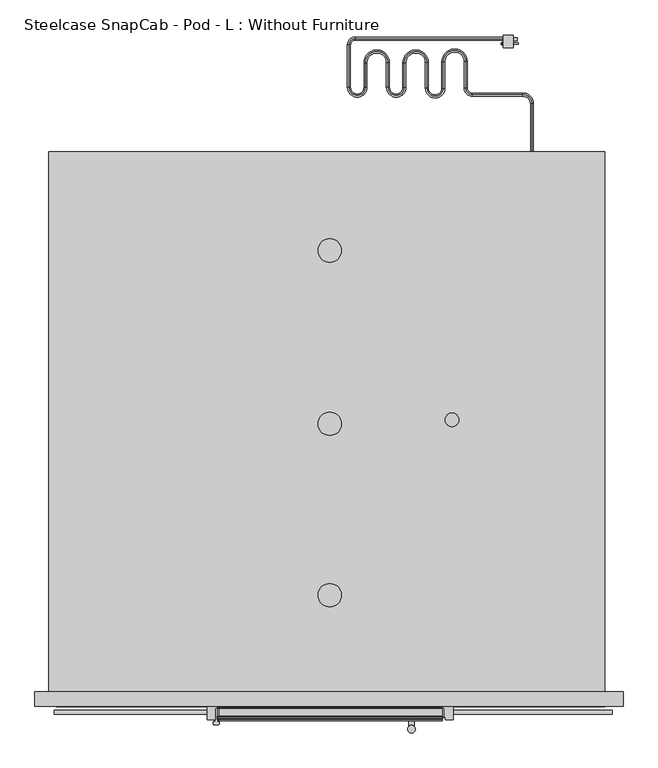
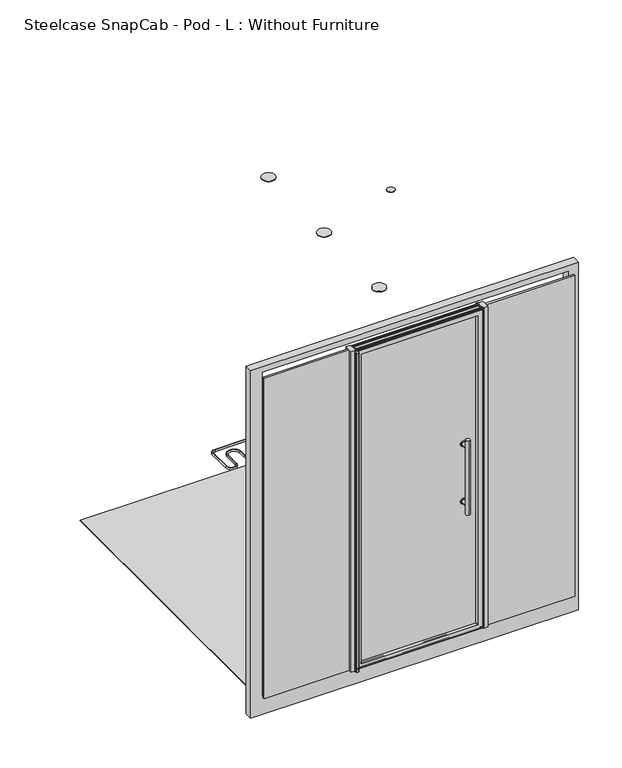
"""IFC4 building model written with IfcOpenShell, lengths in millimetres: furniture geometry, Steelcase SnapCab - Pod - L : Without Furniture."""

from ifc_helpers import new_model, si_unit, point, frame, frame_2d, origin, place, context, project, spatial, polyline, circle_curve, ellipse_curve, trimmed, segment, composite_curve, outline, extrude, source, transform, mapped, element, save
from ifc_brep_helpers import plane_surface, cylinder_surface, revolved_surface, advanced_brep


def steelcase_snapcab_pod_l_without_furniture_50ba07be(model_context):
    return source(origin(), model_context, "Body", "SolidModel", [
        extrude(outline(composite_curve([segment(trimmed(circle_curve(frame_2d((229.265479, -834.2806578)), 38.1), [point((267.365479, -834.2806578))], [point((191.165479, -834.2806578))], False, "CARTESIAN"), True, "CONTINUOUS"), segment(trimmed(circle_curve(frame_2d((229.265479, -834.2806578)), 38.1), [point((191.165479, -834.2806578))], [point((267.365479, -834.2806578))], False, "CARTESIAN"), True, "CONTINUOUS")], self_intersect=False)), frame((0.0, 0.0, 2164.9054759), z_axis=(0.0, 0.0, 1.0), x_axis=(1.0, 0.0, 0.0)), (0.0, 0.0, 1.0), 3.175),
        extrude(outline(composite_curve([segment(trimmed(circle_curve(frame_2d((229.265479, -1958.2306578)), 38.1), [point((267.365479, -1958.2306578))], [point((191.165479, -1958.2306578))], False, "CARTESIAN"), True, "CONTINUOUS"), segment(trimmed(circle_curve(frame_2d((229.265479, -1958.2306578)), 38.1), [point((191.165479, -1958.2306578))], [point((267.365479, -1958.2306578))], False, "CARTESIAN"), True, "CONTINUOUS")], self_intersect=False)), frame((0.0, 0.0, 2164.9054759), z_axis=(0.0, 0.0, 1.0), x_axis=(1.0, 0.0, 0.0)), (0.0, 0.0, 1.0), 3.175),
        extrude(outline(composite_curve([segment(trimmed(circle_curve(frame_2d((229.265479, -1399.4306578)), 38.1), [point((267.365479, -1399.4306578))], [point((191.165479, -1399.4306578))], False, "CARTESIAN"), True, "CONTINUOUS"), segment(trimmed(circle_curve(frame_2d((229.265479, -1399.4306578)), 38.1), [point((191.165479, -1399.4306578))], [point((267.365479, -1399.4306578))], False, "CARTESIAN"), True, "CONTINUOUS")], self_intersect=False)), frame((0.0, 0.0, 2164.9054759), z_axis=(0.0, 0.0, 1.0), x_axis=(1.0, 0.0, 0.0)), (0.0, 0.0, 1.0), 3.175),
        extrude(outline(composite_curve([segment(polyline([(-2358.0673979, 179.9280925), (-2363.0996934, 179.9280925)]), True, "CONTINUOUS"), segment(trimmed(circle_curve(frame_2d((-2363.0996934, 180.5249925)), 0.5969), [point((-2363.0996934, 179.9280925))], [point((-2363.0996934, 181.1218925))], False, "CARTESIAN"), True, "CONTINUOUS"), segment(polyline([(-2363.0996934, 181.1218925), (-2353.6644115, 181.1218925)]), True, "CONTINUOUS"), segment(trimmed(circle_curve(frame_2d((-2353.6644115, 180.4878569)), 0.6340356), [point((-2353.6644115, 181.1218925))], [point((-2353.0303759, 180.4878569))], False, "CARTESIAN"), True, "CONTINUOUS"), segment(polyline([(-2353.0303759, 180.4878569), (-2353.0303759, 178.2100107), (-2356.5996178, 171.9656169)]), True, "CONTINUOUS"), segment(trimmed(circle_curve(frame_2d((-2357.7868974, 172.6442557)), 1.3675464), [point((-2356.5996178, 171.9656169))], [point((-2359.0074607, 173.2610284))], False, "CARTESIAN"), True, "CONTINUOUS"), segment(polyline([(-2359.0074607, 173.2610284), (-2356.7339345, 177.7602272)]), True, "CONTINUOUS"), segment(trimmed(circle_curve(frame_2d((-2358.0673979, 178.4340502)), 1.4940423), [point((-2356.7339345, 177.7602272))], [point((-2358.0673979, 179.9280925))], True, "CARTESIAN"), True, "CONTINUOUS")], self_intersect=False)), frame((-136.9556342, 0.0, 0.0), z_axis=(1.0, 0.0, 0.0), x_axis=(0.0, 1.0, 0.0)), (0.0, 0.0, 1.0), 733.1597071),
        extrude(outline(composite_curve([segment(polyline([(-2321.1287272, 179.9280925), (-2326.1610227, 179.9280925)]), True, "CONTINUOUS"), segment(trimmed(circle_curve(frame_2d((-2326.1610227, 180.5249925)), 0.5969), [point((-2326.1610227, 179.9280925))], [point((-2326.1610227, 181.1218925))], False, "CARTESIAN"), True, "CONTINUOUS"), segment(polyline([(-2326.1610227, 181.1218925), (-2316.7257407, 181.1218925)]), True, "CONTINUOUS"), segment(trimmed(circle_curve(frame_2d((-2316.7257407, 180.4878569)), 0.6340356), [point((-2316.7257407, 181.1218925))], [point((-2316.0917051, 180.4878569))], False, "CARTESIAN"), True, "CONTINUOUS"), segment(polyline([(-2316.0917051, 180.4878569), (-2316.0917051, 178.2100107), (-2319.6609471, 171.9656169)]), True, "CONTINUOUS"), segment(trimmed(circle_curve(frame_2d((-2320.8482266, 172.6442557)), 1.3675464), [point((-2319.6609471, 171.9656169))], [point((-2322.0687899, 173.2610284))], False, "CARTESIAN"), True, "CONTINUOUS"), segment(polyline([(-2322.0687899, 173.2610284), (-2319.7952637, 177.7602272)]), True, "CONTINUOUS"), segment(trimmed(circle_curve(frame_2d((-2321.1287272, 178.4340502)), 1.4940423), [point((-2319.7952637, 177.7602272))], [point((-2321.1287272, 179.9280925))], True, "CARTESIAN"), True, "CONTINUOUS")], self_intersect=False)), frame((-136.9556342, 0.0, 0.0), z_axis=(1.0, 0.0, 0.0), x_axis=(0.0, 1.0, 0.0)), (0.0, 0.0, 1.0), 733.1597071),
        extrude(outline(composite_curve([segment(trimmed(circle_curve(frame_2d((-2358.0673979, 2149.1464348)), 1.4940423), [point((-2358.0673979, 2147.6523925))], [point((-2356.7339345, 2149.8202579))], True, "CARTESIAN"), True, "CONTINUOUS"), segment(polyline([(-2356.7339345, 2149.8202579), (-2359.0074607, 2154.3194567)]), True, "CONTINUOUS"), segment(trimmed(circle_curve(frame_2d((-2357.7868974, 2154.9362293)), 1.3675464), [point((-2359.0074607, 2154.3194567))], [point((-2356.5996178, 2155.6148681))], False, "CARTESIAN"), True, "CONTINUOUS"), segment(polyline([(-2356.5996178, 2155.6148681), (-2353.0303759, 2149.3704743), (-2353.0303759, 2147.0926281)]), True, "CONTINUOUS"), segment(trimmed(circle_curve(frame_2d((-2353.6644115, 2147.0926281)), 0.6340356), [point((-2353.0303759, 2147.0926281))], [point((-2353.6644115, 2146.4585925))], False, "CARTESIAN"), True, "CONTINUOUS"), segment(polyline([(-2353.6644115, 2146.4585925), (-2363.0996934, 2146.4585925)]), True, "CONTINUOUS"), segment(trimmed(circle_curve(frame_2d((-2363.0996934, 2147.0554925)), 0.5969), [point((-2363.0996934, 2146.4585925))], [point((-2363.0996934, 2147.6523925))], False, "CARTESIAN"), True, "CONTINUOUS"), segment(polyline([(-2363.0996934, 2147.6523925), (-2358.0673979, 2147.6523925)]), True, "CONTINUOUS")], self_intersect=False)), frame((-136.9556342, 0.0, 0.0), z_axis=(1.0, 0.0, 0.0), x_axis=(0.0, 1.0, 0.0)), (0.0, 0.0, 1.0), 733.1597071),
        extrude(outline(composite_curve([segment(trimmed(circle_curve(frame_2d((-2321.1287272, 2149.1464348)), 1.4940423), [point((-2321.1287272, 2147.6523925))], [point((-2319.7952637, 2149.8202579))], True, "CARTESIAN"), True, "CONTINUOUS"), segment(polyline([(-2319.7952637, 2149.8202579), (-2322.0687899, 2154.3194567)]), True, "CONTINUOUS"), segment(trimmed(circle_curve(frame_2d((-2320.8482266, 2154.9362293)), 1.3675464), [point((-2322.0687899, 2154.3194567))], [point((-2319.6609471, 2155.6148681))], False, "CARTESIAN"), True, "CONTINUOUS"), segment(polyline([(-2319.6609471, 2155.6148681), (-2316.0917051, 2149.3704743), (-2316.0917051, 2147.0926281)]), True, "CONTINUOUS"), segment(trimmed(circle_curve(frame_2d((-2316.7257407, 2147.0926281)), 0.6340356), [point((-2316.0917051, 2147.0926281))], [point((-2316.7257407, 2146.4585925))], False, "CARTESIAN"), True, "CONTINUOUS"), segment(polyline([(-2316.7257407, 2146.4585925), (-2326.1610227, 2146.4585925)]), True, "CONTINUOUS"), segment(trimmed(circle_curve(frame_2d((-2326.1610227, 2147.0554925)), 0.5969), [point((-2326.1610227, 2146.4585925))], [point((-2326.1610227, 2147.6523925))], False, "CARTESIAN"), True, "CONTINUOUS"), segment(polyline([(-2326.1610227, 2147.6523925), (-2321.1287272, 2147.6523925)]), True, "CONTINUOUS")], self_intersect=False)), frame((-136.9556342, 0.0, 0.0), z_axis=(1.0, 0.0, 0.0), x_axis=(0.0, 1.0, 0.0)), (0.0, 0.0, 1.0), 733.1597071),
        extrude(outline(composite_curve([segment(polyline([(-137.0402977, -2326.3107939), (-137.0402977, -2365.1862875), (-134.3419489, -2365.1862875), (-134.3419489, -2366.696216), (-137.9832732, -2366.696216), (-137.9832732, -2369.8975387), (-136.9556342, -2369.8975387), (-136.9556342, -2370.9051357)]), True, "CONTINUOUS"), segment(trimmed(circle_curve(frame_2d((-136.0936091, -2371.8505397)), 1.2794046), [point((-136.9556342, -2370.9051357))], [point((-134.958671, -2371.2599538))], False, "CARTESIAN"), True, "CONTINUOUS"), segment(polyline([(-134.958671, -2371.2599538), (-132.1682242, -2371.2599538)]), True, "CONTINUOUS"), segment(trimmed(circle_curve(frame_2d((-132.1682242, -2372.5807113)), 1.3207575), [point((-132.1682242, -2371.2599538))], [point((-130.8695366, -2372.8211504))], False, "CARTESIAN"), True, "CONTINUOUS"), segment(trimmed(circle_curve(frame_2d((-72.4854622, -2383.6303784)), 59.3762542), [point((-130.8695366, -2372.8211504))], [point((-131.7049271, -2379.3182408))], True, "CARTESIAN"), True, "CONTINUOUS"), segment(trimmed(circle_curve(frame_2d((-134.1391212, -2379.140992)), 2.4406388), [point((-131.7049271, -2379.3182408))], [point((-133.7639501, -2381.5526231))], False, "CARTESIAN"), True, "CONTINUOUS"), segment(trimmed(circle_curve(frame_2d((-141.0845569, -2334.4951507)), 47.623492), [point((-133.7639501, -2381.5526231))], [point((-148.4139523, -2381.551255))], False, "CARTESIAN"), True, "CONTINUOUS"), segment(trimmed(circle_curve(frame_2d((-148.1051107, -2379.5684339)), 2.0067293), [point((-148.4139523, -2381.551255))], [point((-150.1074415, -2379.7012268))], False, "CARTESIAN"), True, "CONTINUOUS"), segment(trimmed(circle_curve(frame_2d((-209.3535496, -2383.6303784)), 59.3762542), [point((-150.1074415, -2379.7012268))], [point((-150.9694752, -2372.8211504))], True, "CARTESIAN"), True, "CONTINUOUS"), segment(trimmed(circle_curve(frame_2d((-149.6707876, -2372.5807113)), 1.3207575), [point((-150.9694752, -2372.8211504))], [point((-149.6707876, -2371.2599538))], False, "CARTESIAN"), True, "CONTINUOUS"), segment(polyline([(-149.6707876, -2371.2599538), (-146.8803409, -2371.2599538)]), True, "CONTINUOUS"), segment(trimmed(circle_curve(frame_2d((-145.7454028, -2371.8505397)), 1.2794046), [point((-146.8803409, -2371.2599538))], [point((-144.8833776, -2370.9051357))], False, "CARTESIAN"), True, "CONTINUOUS"), segment(polyline([(-144.8833776, -2370.9051357), (-144.8833776, -2369.8975387), (-144.0211697, -2369.8975387), (-144.0211697, -2366.3829959), (-147.4981995, -2366.3829959), (-147.4981995, -2365.1862875), (-144.2975632, -2365.1862875), (-144.2975632, -2326.3107939), (-137.0402977, -2326.3107939)]), True, "CONTINUOUS")], self_intersect=False)), frame((0.0, 0.0, 173.1960925), z_axis=(0.0, 0.0, 1.0), x_axis=(1.0, 0.0, 0.0)), (0.0, 0.0, 1.0), 1973.2625),
        extrude(outline(polyline([(181.1218925, -130.8341357), (181.1218925, 596.2040728), (2146.4585925, 596.2040728), (2146.4585925, -130.8341357), (181.1218925, -130.8341357)]), holes=[polyline([(2121.0468925, 570.8927226), (206.5218925, 570.8927226), (206.5218925, -111.8138975), (2121.0468925, -111.8138975), (2121.0468925, 570.8927226)])]), frame((0.0, -2367.3452829, 0.0), z_axis=(0.0, 1.0, 0.0), x_axis=(0.0, 0.0, 1.0)), (0.0, 0.0, 1.0), 52.9589954),
        extrude(outline(composite_curve([segment(polyline([(-143.1037632, -2314.3862875), (-143.1037632, -2321.0082005)]), True, "CONTINUOUS"), segment(trimmed(circle_curve(frame_2d((-141.842336, -2321.0082005)), 1.2614272), [point((-143.1037632, -2321.0082005))], [point((-141.2893627, -2322.1419638))], True, "CARTESIAN"), True, "CONTINUOUS"), segment(polyline([(-141.2893627, -2322.1419638), (-136.6953267, -2319.9013027)]), True, "CONTINUOUS"), segment(trimmed(circle_curve(frame_2d((-136.0530524, -2321.2181603)), 1.4651383), [point((-136.6953267, -2319.9013027))], [point((-135.2766474, -2322.460668))], False, "CARTESIAN"), True, "CONTINUOUS"), segment(polyline([(-135.2766474, -2322.460668), (-141.4381369, -2326.3107939), (-144.2975632, -2326.3107939), (-144.2975632, -2365.1862875), (-169.6975632, -2365.1862875), (-169.6975632, -2314.3862875), (-143.1037632, -2314.3862875)]), True, "CONTINUOUS")], self_intersect=False)), frame((0.0, 0.0, 173.1960925), z_axis=(0.0, 0.0, 1.0), x_axis=(1.0, 0.0, 0.0)), (0.0, 0.0, 1.0), 1982.0892316),
        extrude(outline(composite_curve([segment(polyline([(631.9899368, -2365.1862875), (606.5899368, -2365.1862875), (606.5899368, -2363.151706), (605.3961368, -2363.151706), (605.3961368, -2354.9288419), (598.9345685, -2358.6594301)]), True, "CONTINUOUS"), segment(trimmed(circle_curve(frame_2d((598.2350786, -2357.4478781)), 1.3989797), [point((598.9345685, -2358.6594301))], [point((597.5355888, -2356.2363261))], False, "CARTESIAN"), True, "CONTINUOUS"), segment(polyline([(597.5355888, -2356.2363261), (603.4149368, -2352.8418829), (603.4149368, -2326.5672784), (600.503055, -2326.5672784), (594.4592626, -2323.0778933)]), True, "CONTINUOUS"), segment(trimmed(circle_curve(frame_2d((595.1895126, -2321.8130632)), 1.4605), [point((594.4592626, -2323.0778933))], [point((595.9197626, -2320.5482331))], False, "CARTESIAN"), True, "CONTINUOUS"), segment(polyline([(595.9197626, -2320.5482331), (600.048895, -2322.9321887)]), True, "CONTINUOUS"), segment(trimmed(circle_curve(frame_2d((600.7729756, -2321.6780443)), 1.4481612), [point((600.048895, -2322.9321887))], [point((602.2211368, -2321.6780443))], True, "CARTESIAN"), True, "CONTINUOUS"), segment(polyline([(602.2211368, -2321.6780443), (602.2211368, -2314.3862875), (590.7149368, -2314.3862875), (590.7149368, -2311.2048375), (606.5899368, -2311.2048375), (606.5899368, -2314.3862875), (631.9899368, -2314.3862875), (631.9899368, -2365.1862875)]), True, "CONTINUOUS")], self_intersect=False)), frame((0.0, 0.0, 173.1960925), z_axis=(0.0, 0.0, 1.0), x_axis=(1.0, 0.0, 0.0)), (0.0, 0.0, 1.0), 1982.0892316),
        extrude(outline(composite_curve([segment(trimmed(circle_curve(frame_2d((-159.5231731, 30.8526793)), 3.1825062), [point((-162.7056793, 30.8526793))], [point((-156.3406669, 30.8526793))], False, "CARTESIAN"), True, "CONTINUOUS"), segment(trimmed(circle_curve(frame_2d((-159.5231731, 30.8526793)), 3.1825062), [point((-156.3406669, 30.8526793))], [point((-162.7056793, 30.8526793))], False, "CARTESIAN"), True, "CONTINUOUS")], self_intersect=False)), frame((788.8214531, 0.0, 0.0), z_axis=(1.0, 0.0, 0.0), x_axis=(0.0, 1.0, 0.0)), (0.0, 0.0, 1.0), 3.175),
        extrude(outline(composite_curve([segment(trimmed(circle_curve(frame_2d((-158.1501792, 30.8288933)), 2.4274108), [point((-160.57759, 30.8288933))], [point((-155.7227683, 30.8288933))], False, "CARTESIAN"), True, "CONTINUOUS"), segment(trimmed(circle_curve(frame_2d((-158.1501792, 30.8288933)), 2.4274108), [point((-155.7227683, 30.8288933))], [point((-160.57759, 30.8288933))], False, "CARTESIAN"), True, "CONTINUOUS")], self_intersect=False)), frame((827.3102921, 0.0, 0.0), z_axis=(1.0, 0.0, 0.0), x_axis=(0.0, 1.0, 0.0)), (0.0, 0.0, 1.0), 15.875),
        extrude(outline(polyline([(840.0102921, -139.9819163), (840.0102921, -149.3781003), (827.3102921, -149.3781003), (827.3102921, -139.9819163), (840.0102921, -139.9819163)])), frame((0.0, 0.0, 34.4014965), z_axis=(0.0, 0.0, 1.0), x_axis=(1.0, 0.0, 0.0)), (0.0, 0.0, 1.0), 2.8048307),
        extrude(outline(polyline([(840.0102921, -141.1739695), (840.0102921, -148.1860471), (827.3102921, -148.1860471), (827.3102921, -141.1739695), (840.0102921, -141.1739695)])), frame((0.0, 0.0, 24.5696307), z_axis=(0.0, 0.0, 1.0), x_axis=(1.0, 0.0, 0.0)), (0.0, 0.0, 1.0), 2.1301763),
        extrude(outline(composite_curve([segment(trimmed(circle_curve(frame_2d((-159.5231731, 30.8526793)), 4.7155208), [point((-164.2386939, 30.8526793))], [point((-154.8076522, 30.8526793))], False, "CARTESIAN"), True, "CONTINUOUS"), segment(trimmed(circle_curve(frame_2d((-159.5231731, 30.8526793)), 4.7155208), [point((-154.8076522, 30.8526793))], [point((-164.2386939, 30.8526793))], False, "CARTESIAN"), True, "CONTINUOUS")], self_intersect=False)), frame((791.9964531, 0.0, 0.0), z_axis=(1.0, 0.0, 0.0), x_axis=(0.0, 1.0, 0.0)), (0.0, 0.0, 1.0), 3.175),
        extrude(outline(polyline([(827.3102921, -131.1453025), (827.3102921, -172.080005), (795.1714531, -172.080005), (795.1714531, -131.1453025), (827.3102921, -131.1453025)])), frame((0.0, 0.0, 18.4280015), z_axis=(0.0, 0.0, 1.0), x_axis=(1.0, 0.0, 0.0)), (0.0, 0.0, 1.0), 25.4),
        advanced_brep(
        [(838.0924366, -569.7774146, 40.2755879), (838.1664274, -569.892765, 30.6598173), (863.3589995, -569.7750827, 40.4699793), (863.4329903, -569.8904331, 30.8542087), (888.8305018, -544.491653, 30.744953), (888.7565111, -544.3763026, 40.3607236), (795.1000937, -142.7730316, 34.8224462), (795.1740844, -142.888382, 25.2066756), (888.7565111, -355.4773937, 38.0947), (888.8305018, -355.5927441, 28.4789294), (858.6722049, -325.4385076, 27.8851405), (858.5982141, -325.3231572, 37.500911), (693.5031009, -325.3383942, 36.2307314), (693.5770917, -325.4537446, 26.6149608), (672.9368922, -304.8163242, 26.2085743), (672.8629015, -304.7009738, 35.8243449), (672.8629015, -218.0084904, 34.7843854), (672.9368922, -218.1238408, 25.1686149), (599.9206742, -218.1305796, 24.6068555), (599.8466835, -218.0152293, 34.2226261), (599.8466835, -304.3174566, 35.2579041), (599.9206742, -304.432807, 25.6421335), (545.9406513, -304.437789, 25.2268316), (545.8666605, -304.3224386, 34.8426021), (545.8666605, -221.2575392, 33.846159), (545.9406513, -221.3728896, 24.2303884), (472.9244333, -221.3796285, 23.6686291), (472.8504425, -221.2642781, 33.2843997), (472.8504425, -301.7442037, 34.2498336), (472.9244333, -301.8595541, 24.634063), (418.9444104, -301.864536, 24.218761), (418.8704196, -301.7491856, 33.8345316), (418.8704196, -221.26926, 32.8690977), (418.9444104, -221.3846104, 23.2533271), (345.9281924, -221.3913493, 22.6915678), (345.8542016, -221.2759989, 32.3073384), (345.8542016, -301.7559245, 33.2727723), (345.9281924, -301.8712749, 23.6570017), (291.9481694, -301.8762568, 23.2416997), (291.8741786, -301.7609064, 32.8574703), (291.8741786, -163.4588009, 31.1984039), (291.9481694, -163.5741513, 21.5826333), (312.5883688, -142.932921, 21.4938427), (312.5143781, -142.8175706, 31.1096133)],
        [
            (0, 1, circle_curve(frame((838.129432, -569.8350898, 35.4677026), z_axis=(-0.9999704011323597, -9.228966443877352e-05, -0.0076933959865344076), x_axis=(0.007693949518146448, -0.011994741134319881, -0.9998984595077307)), 4.8083735)),
            (1, 0, circle_curve(frame((838.129432, -569.8350898, 35.4677026), z_axis=(-0.9999704011323597, -9.228966443877352e-05, -0.0076933959865344076), x_axis=(0.007693949518146448, -0.011994741134319881, -0.9998984595077307)), 4.8083735)),
            (0, 2),
            (2, 3, circle_curve(frame((863.3959949, -569.8327579, 35.662094), z_axis=(-0.9999704011323597, -9.228966443877352e-05, -0.0076933959865344076), x_axis=(0.007693949518146448, -0.011994741134319881, -0.9998984595077307)), 4.8083735)),
            (3, 1),
            (3, 2, circle_curve(frame((863.3959949, -569.8327579, 35.662094), z_axis=(-0.9999704011323597, -9.228966443877352e-05, -0.0076933959865344076), x_axis=(0.007693949518146448, -0.011994741134319881, -0.9998984595077307)), 4.8083735)),
            (4, 3, circle_curve(frame((863.4329903, -544.493997, 30.5495541), z_axis=(0.007693949518146448, -0.011994741134319899, -0.9998984595077307), x_axis=(0.0, -0.9999280562459174, 0.011995096175583933)), 25.3982633)),
            (2, 5, circle_curve(frame((863.3589995, -544.3786466, 40.1653247), z_axis=(-0.007693949518146448, 0.011994741134319899, 0.9998984595077307), x_axis=(0.0, -0.9999280562459174, 0.011995096175583933)), 25.3982633)),
            (5, 4, circle_curve(frame((888.7935065, -544.4339778, 35.5528383), z_axis=(0.0, -0.9999280562459174, 0.011995096175583947), x_axis=(0.007693949518146429, -0.011994741134319899, -0.9998984595077307)), 4.8083735)),
            (4, 5, circle_curve(frame((888.7935065, -544.4339778, 35.5528383), z_axis=(0.0, -0.9999280562459174, 0.011995096175583949), x_axis=(0.007693949518146429, -0.011994741134319899, -0.9998984595077307)), 4.8083735)),
            (6, 7, circle_curve(frame((795.137089, -142.8307068, 30.0145609), z_axis=(0.9999704011323597, 9.228966444347685e-05, 0.007693395986534456), x_axis=(0.007693949518146552, -0.011994741134319878, -0.9998984595077306)), 4.8083735)),
            (7, 6, circle_curve(frame((795.137089, -142.8307068, 30.0145609), z_axis=(0.9999704011323597, 9.228966444347685e-05, 0.007693395986534456), x_axis=(0.007693949518146552, -0.011994741134319878, -0.9998984595077306)), 4.8083735)),
            (5, 8),
            (8, 9, circle_curve(frame((888.7935065, -355.5350689, 33.2868147), z_axis=(0.0, -0.9999280562459174, 0.011995096175583942), x_axis=(0.0076939495181464305, -0.011994741134319893, -0.9998984595077306)), 4.8083735)),
            (9, 4),
            (9, 8, circle_curve(frame((888.7935065, -355.5350689, 33.2868147), z_axis=(0.0, -0.9999280562459174, 0.011995096175583942), x_axis=(0.0076939495181464305, -0.011994741134319893, -0.9998984595077306)), 4.8083735)),
            (10, 9, circle_curve(frame((858.6722049, -355.5955275, 28.2469028), z_axis=(0.007693949518146446, -0.011994741134319899, -0.9998984595077307), x_axis=(0.9999704011323597, 9.228966444380649e-05, 0.007693395986534346)), 30.1591896)),
            (8, 11, circle_curve(frame((858.5982141, -355.4801771, 37.8626734), z_axis=(-0.007693949518146446, 0.011994741134319899, 0.9998984595077307), x_axis=(0.9999704011323597, 9.228966444380649e-05, 0.007693395986534346)), 30.1591896)),
            (11, 10, circle_curve(frame((858.6352095, -325.3808324, 32.6930257), z_axis=(0.9999704011323597, 9.228966444752028e-05, 0.007693395986534307), x_axis=(0.007693949518146451, -0.011994741134319913, -0.9998984595077307)), 4.8083735)),
            (10, 11, circle_curve(frame((858.6352095, -325.3808324, 32.6930257), z_axis=(0.9999704011323597, 9.228966444441188e-05, 0.007693395986534344), x_axis=(0.007693949518146451, -0.011994741134319913, -0.9998984595077307)), 4.8083735)),
            (11, 12),
            (12, 13, circle_curve(frame((693.5400963, -325.3960694, 31.4228461), z_axis=(0.9999704011323597, 9.228966444228492e-05, 0.007693395986534487), x_axis=(0.0076939495181465685, -0.011994741134319914, -0.9998984595077306)), 4.8083735)),
            (13, 10),
            (13, 12, circle_curve(frame((693.5400963, -325.3960694, 31.4228461), z_axis=(0.9999704011323597, 9.228966444228492e-05, 0.007693395986534487), x_axis=(0.0076939495181465685, -0.011994741134319914, -0.9998984595077306)), 4.8083735)),
            (14, 13, circle_curve(frame((693.5770917, -304.8144192, 26.3673723), z_axis=(-0.007693949518146446, 0.011994741134319899, 0.9998984595077307), x_axis=(0.0, -0.9999280562459174, 0.011995096175583975)), 20.6408104)),
            (12, 15, circle_curve(frame((693.5031009, -304.6990688, 35.9831428), z_axis=(0.007693949518146446, -0.011994741134319899, -0.9998984595077307), x_axis=(0.0, -0.9999280562459174, 0.011995096175583975)), 20.6408104)),
            (15, 14, circle_curve(frame((672.8998969, -304.758649, 31.0164596), z_axis=(0.0, -0.9999280562459174, 0.011995096175583916), x_axis=(0.007693949518146429, -0.011994741134319899, -0.9998984595077307)), 4.8083735)),
            (14, 15, circle_curve(frame((672.8998969, -304.758649, 31.0164596), z_axis=(0.0, -0.9999280562459174, 0.011995096175583916), x_axis=(0.007693949518146429, -0.011994741134319899, -0.9998984595077307)), 4.8083735)),
            (15, 16),
            (16, 17, circle_curve(frame((672.8998969, -218.0661656, 29.9765001), z_axis=(0.0, -0.9999280562459175, 0.011995096175583883), x_axis=(0.007693949518146429, -0.01199474113431983, -0.9998984595077307)), 4.8083735)),
            (17, 14),
            (17, 16, circle_curve(frame((672.8998969, -218.0661656, 29.9765001), z_axis=(0.0, -0.9999280562459175, 0.011995096175583883), x_axis=(0.007693949518146429, -0.01199474113431983, -0.9998984595077307)), 4.8083735)),
            (18, 17, circle_curve(frame((636.4287832, -218.1272102, 24.8877352), z_axis=(0.007693949518146446, -0.011994741134319899, -0.9998984595077307), x_axis=(0.9999704011323597, 9.22896644418448e-05, 0.007693395986534369)), 36.5091896)),
            (16, 19, circle_curve(frame((636.3547925, -218.0118598, 34.5035058), z_axis=(-0.007693949518146446, 0.011994741134319899, 0.9998984595077307), x_axis=(0.9999704011323597, 9.22896644418448e-05, 0.007693395986534369)), 36.5091896)),
            (19, 18, circle_curve(frame((599.8836789, -218.0729044, 29.4147408), z_axis=(0.0, 0.9999280562459175, -0.01199509617558391), x_axis=(0.0076939495181464635, -0.0119947411343199, -0.9998984595077307)), 4.8083735)),
            (18, 19, circle_curve(frame((599.8836789, -218.0729044, 29.4147408), z_axis=(0.0, 0.9999280562459175, -0.0119950961755839), x_axis=(0.0076939495181464635, -0.0119947411343199, -0.9998984595077307)), 4.8083735)),
            (19, 20),
            (20, 21, circle_curve(frame((599.8836789, -304.3751318, 30.4500188), z_axis=(0.0, 0.9999280562459174, -0.011995096175583886), x_axis=(0.0076939495181464635, -0.011994741134319835, -0.9998984595077307)), 4.8083735)),
            (21, 18),
            (21, 20, circle_curve(frame((599.8836789, -304.3751318, 30.4500188), z_axis=(0.0, 0.9999280562459174, -0.011995096175583886), x_axis=(0.0076939495181464635, -0.011994741134319835, -0.9998984595077307)), 4.8083735)),
            (22, 21, circle_curve(frame((572.9306628, -304.435298, 25.4344826), z_axis=(-0.007693949518146446, 0.011994741134319899, 0.9998984595077307), x_axis=(0.9999704011323597, 9.228966444291045e-05, 0.007693395986534356)), 26.9908104)),
            (20, 23, circle_curve(frame((572.856672, -304.3199476, 35.0502531), z_axis=(0.007693949518146446, -0.011994741134319899, -0.9998984595077307), x_axis=(0.9999704011323597, 9.228966444291045e-05, 0.007693395986534356)), 26.9908104)),
            (23, 22, circle_curve(frame((545.9036559, -304.3801138, 30.0347168), z_axis=(0.0, -0.9999280562459175, 0.011995096175583985), x_axis=(0.007693949518146429, -0.011994741134319888, -0.9998984595077307)), 4.8083735)),
            (22, 23, circle_curve(frame((545.9036559, -304.3801138, 30.0347168), z_axis=(0.0, -0.9999280562459175, 0.011995096175583985), x_axis=(0.007693949518146429, -0.011994741134319888, -0.9998984595077307)), 4.8083735)),
            (23, 24),
            (24, 25, circle_curve(frame((545.9036559, -221.3152144, 29.0382737), z_axis=(0.0, -0.9999280562459175, 0.011995096175583876), x_axis=(0.007693949518146429, -0.011994741134319822, -0.9998984595077307)), 4.8083735)),
            (25, 22),
            (25, 24, circle_curve(frame((545.9036559, -221.3152144, 29.0382737), z_axis=(0.0, -0.9999280562459175, 0.011995096175583876), x_axis=(0.007693949518146429, -0.011994741134319822, -0.9998984595077307)), 4.8083735)),
            (26, 25, circle_curve(frame((509.4325423, -221.376259, 23.9495088), z_axis=(0.007693949518146446, -0.011994741134319899, -0.9998984595077307), x_axis=(0.9999704011323597, 9.228966444397611e-05, 0.007693395986534344)), 36.5091896)),
            (24, 27, circle_curve(frame((509.3585515, -221.2609087, 33.5652793), z_axis=(-0.007693949518146446, 0.011994741134319899, 0.9998984595077307), x_axis=(0.9999704011323597, 9.228966444397611e-05, 0.007693395986534344)), 36.5091896)),
            (27, 26, circle_curve(frame((472.8874379, -221.3219533, 28.4765144), z_axis=(0.0, 0.9999280562459175, -0.011995096175583898), x_axis=(0.007693949518146466, -0.011994741134319897, -0.9998984595077307)), 4.8083735)),
            (26, 27, circle_curve(frame((472.8874379, -221.3219533, 28.4765144), z_axis=(0.0, 0.9999280562459175, -0.011995096175583898), x_axis=(0.007693949518146466, -0.011994741134319897, -0.9998984595077307)), 4.8083735)),
            (27, 28),
            (28, 29, circle_curve(frame((472.8874379, -301.8018789, 29.4419483), z_axis=(0.0, 0.9999280562459174, -0.011995096175583884), x_axis=(0.007693949518146464, -0.011994741134319833, -0.9998984595077307)), 4.8083735)),
            (29, 26),
            (29, 28, circle_curve(frame((472.8874379, -301.8018789, 29.4419483), z_axis=(0.0, 0.9999280562459174, -0.011995096175583884), x_axis=(0.007693949518146464, -0.011994741134319833, -0.9998984595077307)), 4.8083735)),
            (30, 29, circle_curve(frame((445.9344218, -301.8620451, 24.426412), z_axis=(-0.007693949518146446, 0.011994741134319899, 0.9998984595077307), x_axis=(0.9999704011323597, 9.228966444203027e-05, 0.007693395986534367)), 26.9908104)),
            (28, 31, circle_curve(frame((445.8604311, -301.7466947, 34.0421826), z_axis=(0.007693949518146446, -0.011994741134319899, -0.9998984595077307), x_axis=(0.9999704011323597, 9.228966444203027e-05, 0.007693395986534367)), 26.9908104)),
            (31, 30, circle_curve(frame((418.907415, -301.8068608, 29.0266463), z_axis=(0.0, -0.9999280562459175, 0.011995096175583949), x_axis=(0.007693949518146428, -0.01199474113431989, -0.9998984595077307)), 4.8083735)),
            (30, 31, circle_curve(frame((418.907415, -301.8068608, 29.0266463), z_axis=(0.0, -0.9999280562459175, 0.011995096175583945), x_axis=(0.007693949518146428, -0.01199474113431989, -0.9998984595077307)), 4.8083735)),
            (31, 32),
            (32, 33, circle_curve(frame((418.907415, -221.3269352, 28.0612124), z_axis=(0.0, -0.9999280562459175, 0.011995096175583878), x_axis=(0.007693949518146426, -0.011994741134319824, -0.9998984595077307)), 4.8083735)),
            (33, 30),
            (33, 32, circle_curve(frame((418.907415, -221.3269352, 28.0612124), z_axis=(0.0, -0.9999280562459175, 0.011995096175583878), x_axis=(0.007693949518146426, -0.011994741134319824, -0.9998984595077307)), 4.8083735)),
            (34, 33, circle_curve(frame((382.4363014, -221.3879798, 22.9724475), z_axis=(0.007693949518146446, -0.011994741134319899, -0.9998984595077307), x_axis=(0.9999704011323597, 9.22896644418448e-05, 0.007693395986534369)), 36.5091896)),
            (32, 35, circle_curve(frame((382.3623106, -221.2726294, 32.588218), z_axis=(-0.007693949518146446, 0.011994741134319899, 0.9998984595077307), x_axis=(0.9999704011323597, 9.22896644418448e-05, 0.007693395986534369)), 36.5091896)),
            (35, 34, circle_curve(frame((345.891197, -221.3336741, 27.4994531), z_axis=(0.0, 0.9999280562459175, -0.011995096175583909), x_axis=(0.007693949518146466, -0.011994741134319906, -0.9998984595077307)), 4.8083735)),
            (34, 35, circle_curve(frame((345.891197, -221.3336741, 27.4994531), z_axis=(0.0, 0.9999280562459175, -0.011995096175583909), x_axis=(0.007693949518146466, -0.011994741134319906, -0.9998984595077307)), 4.8083735)),
            (35, 36),
            (36, 37, circle_curve(frame((345.891197, -301.8135997, 28.464887), z_axis=(0.0, 0.9999280562459174, -0.011995096175583891), x_axis=(0.007693949518146466, -0.01199474113431984, -0.9998984595077307)), 4.8083735)),
            (37, 34),
            (37, 36, circle_curve(frame((345.891197, -301.8135997, 28.464887), z_axis=(0.0, 0.9999280562459174, -0.011995096175583891), x_axis=(0.007693949518146466, -0.01199474113431984, -0.9998984595077307)), 4.8083735)),
            (38, 37, circle_curve(frame((318.9381809, -301.8737658, 23.4493507), z_axis=(-0.007693949518146446, 0.011994741134319899, 0.9998984595077307), x_axis=(0.9999704011323597, 9.228966444203027e-05, 0.007693395986534367)), 26.9908104)),
            (36, 39, circle_curve(frame((318.8641901, -301.7584154, 33.0651213), z_axis=(0.007693949518146446, -0.011994741134319899, -0.9998984595077307), x_axis=(0.9999704011323597, 9.228966444203027e-05, 0.007693395986534367)), 26.9908104)),
            (39, 38, circle_curve(frame((291.911174, -301.8185816, 28.049585), z_axis=(0.0, -0.9999280562459175, 0.011995096175583923), x_axis=(0.007693949518146426, -0.011994741134319883, -0.9998984595077307)), 4.8083735)),
            (38, 39, circle_curve(frame((291.911174, -301.8185816, 28.049585), z_axis=(0.0, -0.9999280562459175, 0.011995096175583912), x_axis=(0.007693949518146426, -0.011994741134319883, -0.9998984595077307)), 4.8083735)),
            (39, 40),
            (40, 41, circle_curve(frame((291.911174, -163.5164761, 26.3905186), z_axis=(0.0, -0.9999280562459175, 0.01199509617558387), x_axis=(0.007693949518146426, -0.011994741134319817, -0.9998984595077307)), 4.8083735)),
            (41, 38),
            (41, 40, circle_curve(frame((291.911174, -163.5164761, 26.3905186), z_axis=(0.0, -0.9999280562459175, 0.01199509617558387), x_axis=(0.007693949518146426, -0.011994741134319817, -0.9998984595077307)), 4.8083735)),
            (42, 41, circle_curve(frame((312.5883688, -163.5722464, 21.7414313), z_axis=(-0.007693949518146446, 0.011994741134319899, 0.9998984595077307), x_axis=(-0.9999704011323597, -9.22896644412646e-05, -0.007693395986534376)), 20.6408104)),
            (40, 43, circle_curve(frame((312.5143781, -163.456896, 31.3572018), z_axis=(0.007693949518146446, -0.011994741134319899, -0.9998984595077307), x_axis=(-0.9999704011323597, -9.22896644412646e-05, -0.007693395986534376)), 20.6408104)),
            (43, 42, circle_curve(frame((312.5513735, -142.8752458, 26.301728), z_axis=(-0.9999704011323597, -9.228966444421266e-05, -0.007693395986534353), x_axis=(0.007693949518146458, -0.01199474113431988, -0.9998984595077307)), 4.8083735)),
            (42, 43, circle_curve(frame((312.5513735, -142.8752458, 26.301728), z_axis=(-0.9999704011323597, -9.228966444310252e-05, -0.007693395986534367), x_axis=(0.007693949518146458, -0.01199474113431988, -0.9998984595077307)), 4.8083735)),
            (43, 6),
            (7, 42),
        ],
        [
            plane_surface(frame((835.5089836, -560.9910065, 375.9616301), z_axis=(-0.9999704011323598, -9.228966443877341e-05, -0.007693395986534408), x_axis=(0.007693949518146448, -0.011994741134319881, -0.9998984595077307))),
            cylinder_surface(frame((838.129432, -569.8350898, 35.4677026), z_axis=(-0.9999704011323597, -9.228966443877352e-05, -0.0076933959865344076), x_axis=(0.007693949518146448, -0.011994741134319881, -0.9998984595077307)), 4.8083735),
            revolved_surface(trimmed(ellipse_curve(frame((863.3959949, -569.8327579, 35.662094), z_axis=(-0.9999704011323597, -9.228966444025482e-05, -0.007693395986534391), x_axis=(0.007693949518146449, -0.01199474113431988, -0.9998984595077307)), 4.8083735, 4.8083735), [point((863.3589995, -569.7750827, 40.4699793))], [point((863.4329903, -569.8904331, 30.8542087))], True, "CARTESIAN"), (860.7755465, -540.3510857, 375.9084539), (-0.007693949518146448, 0.011994741134319899, 0.9998984595077307)),
            revolved_surface(trimmed(ellipse_curve(frame((863.3959949, -569.8327579, 35.662094), z_axis=(-0.9999704011323597, -9.228966444025482e-05, -0.007693395986534391), x_axis=(0.007693949518146449, -0.01199474113431988, -0.9998984595077307)), 4.8083735, 4.8083735), [point((863.4329903, -569.8904331, 30.8542087))], [point((863.3589995, -569.7750827, 40.4699793))], True, "CARTESIAN"), (860.7755465, -540.3510857, 375.9084539), (-0.007693949518146448, 0.011994741134319899, 0.9998984595077307)),
            plane_surface(frame((792.5166406, -133.9866235, 370.5084885), z_axis=(0.9999704011323598, 9.228966444347684e-05, 0.007693395986534467), x_axis=(0.007693949518146563, -0.01199474113431988, -0.9998984595077307))),
            cylinder_surface(frame((888.7935065, -544.4339778, 35.5528383), z_axis=(0.0, -0.9999280562459174, 0.011995096175583942), x_axis=(0.0076939495181464305, -0.011994741134319893, -0.9998984595077306)), 4.8083735),
            revolved_surface(trimmed(ellipse_curve(frame((888.7935065, -355.5350689, 33.2868147), z_axis=(0.0, -0.9999280562459175, 0.011995096175583966), x_axis=(0.007693949518146431, -0.011994741134319904, -0.9998984595077307)), 4.8083735, 4.8083735), [point((888.7565111, -355.4773937, 38.0947))], [point((888.8305018, -355.5927441, 28.4789294))], True, "CARTESIAN"), (856.0147611, -351.4526162, 373.6058026), (-0.007693949518146446, 0.011994741134319899, 0.9998984595077307)),
            revolved_surface(trimmed(ellipse_curve(frame((888.7935065, -355.5350689, 33.2868147), z_axis=(0.0, -0.9999280562459175, 0.011995096175583966), x_axis=(0.007693949518146431, -0.011994741134319904, -0.9998984595077307)), 4.8083735, 4.8083735), [point((888.8305018, -355.5927441, 28.4789294))], [point((888.7565111, -355.4773937, 38.0947))], True, "CARTESIAN"), (856.0147611, -351.4526162, 373.6058026), (-0.007693949518146446, 0.011994741134319899, 0.9998984595077307)),
            cylinder_surface(frame((858.6352095, -325.3808324, 32.6930257), z_axis=(0.9999704011323597, 9.228966444228492e-05, 0.007693395986534487), x_axis=(0.0076939495181465685, -0.011994741134319914, -0.9998984595077306)), 4.8083735),
            revolved_surface(trimmed(ellipse_curve(frame((693.5400963, -325.3960694, 31.4228461), z_axis=(0.9999704011323597, 9.228966444564409e-05, 0.0076933959865343226), x_axis=(0.007693949518146445, -0.011994741134319916, -0.9998984595077307)), 4.8083735, 4.8083735), [point((693.5031009, -325.3383942, 36.2307314))], [point((693.5770917, -325.4537446, 26.6149608))], True, "CARTESIAN"), (690.9196479, -300.671508, 371.726272), (0.007693949518146446, -0.011994741134319899, -0.9998984595077307)),
            revolved_surface(trimmed(ellipse_curve(frame((693.5400963, -325.3960694, 31.4228461), z_axis=(0.9999704011323597, 9.228966444564409e-05, 0.0076933959865343226), x_axis=(0.007693949518146445, -0.011994741134319916, -0.9998984595077307)), 4.8083735, 4.8083735), [point((693.5770917, -325.4537446, 26.6149608))], [point((693.5031009, -325.3383942, 36.2307314))], True, "CARTESIAN"), (690.9196479, -300.671508, 371.726272), (0.007693949518146446, -0.011994741134319899, -0.9998984595077307)),
            cylinder_surface(frame((672.8998969, -304.758649, 31.0164596), z_axis=(0.0, -0.9999280562459175, 0.011995096175583883), x_axis=(0.007693949518146429, -0.01199474113431983, -0.9998984595077307)), 4.8083735),
            revolved_surface(trimmed(ellipse_curve(frame((672.8998969, -218.0661656, 29.9765001), z_axis=(0.0, -0.9999280562459175, 0.011995096175583945), x_axis=(0.007693949518146429, -0.011994741134319897, -0.9998984595077307)), 4.8083735, 4.8083735), [point((672.8629015, -218.0084904, 34.7843854))], [point((672.9368922, -218.1238408, 25.1686149))], True, "CARTESIAN"), (633.7713395, -213.9842989, 370.2466349), (-0.007693949518146446, 0.011994741134319899, 0.9998984595077307)),
            revolved_surface(trimmed(ellipse_curve(frame((672.8998969, -218.0661656, 29.9765001), z_axis=(0.0, -0.9999280562459175, 0.011995096175583945), x_axis=(0.007693949518146429, -0.011994741134319897, -0.9998984595077307)), 4.8083735, 4.8083735), [point((672.9368922, -218.1238408, 25.1686149))], [point((672.8629015, -218.0084904, 34.7843854))], True, "CARTESIAN"), (633.7713395, -213.9842989, 370.2466349), (-0.007693949518146446, 0.011994741134319899, 0.9998984595077307)),
            cylinder_surface(frame((599.8836789, -218.0729044, 29.4147408), z_axis=(0.0, 0.9999280562459176, -0.01199509617558389), x_axis=(0.0076939495181464635, -0.011994741134319835, -0.9998984595077307)), 4.8083735),
            revolved_surface(trimmed(ellipse_curve(frame((599.8836789, -304.3751318, 30.4500188), z_axis=(0.0, 0.9999280562459175, -0.011995096175583964), x_axis=(0.0076939495181464635, -0.011994741134319909, -0.9998984595077307)), 4.8083735, 4.8083735), [point((599.8466835, -304.3174566, 35.2579041))], [point((599.9206742, -304.432807, 25.6421335))], True, "CARTESIAN"), (570.273219, -300.2923867, 370.7933823), (0.007693949518146446, -0.011994741134319899, -0.9998984595077307)),
            revolved_surface(trimmed(ellipse_curve(frame((599.8836789, -304.3751318, 30.4500188), z_axis=(0.0, 0.9999280562459175, -0.011995096175583964), x_axis=(0.0076939495181464635, -0.011994741134319909, -0.9998984595077307)), 4.8083735, 4.8083735), [point((599.9206742, -304.432807, 25.6421335))], [point((599.8466835, -304.3174566, 35.2579041))], True, "CARTESIAN"), (570.273219, -300.2923867, 370.7933823), (0.007693949518146446, -0.011994741134319899, -0.9998984595077307)),
            cylinder_surface(frame((545.9036559, -304.3801138, 30.0347168), z_axis=(0.0, -0.9999280562459175, 0.011995096175583876), x_axis=(0.007693949518146429, -0.011994741134319822, -0.9998984595077307)), 4.8083735),
            revolved_surface(trimmed(ellipse_curve(frame((545.9036559, -221.3152144, 29.0382737), z_axis=(0.0, -0.9999280562459175, 0.011995096175583964), x_axis=(0.007693949518146426, -0.0119947411343199, -0.9998984595077307)), 4.8083735, 4.8083735), [point((545.8666605, -221.2575392, 33.846159))], [point((545.9406513, -221.3728896, 24.2303884))], True, "CARTESIAN"), (506.7750985, -217.2333478, 369.3084085), (-0.007693949518146446, 0.011994741134319899, 0.9998984595077307)),
            revolved_surface(trimmed(ellipse_curve(frame((545.9036559, -221.3152144, 29.0382737), z_axis=(0.0, -0.9999280562459175, 0.011995096175583964), x_axis=(0.007693949518146426, -0.0119947411343199, -0.9998984595077307)), 4.8083735, 4.8083735), [point((545.9406513, -221.3728896, 24.2303884))], [point((545.8666605, -221.2575392, 33.846159))], True, "CARTESIAN"), (506.7750985, -217.2333478, 369.3084085), (-0.007693949518146446, 0.011994741134319899, 0.9998984595077307)),
            cylinder_surface(frame((472.8874379, -221.3219533, 28.4765144), z_axis=(0.0, 0.9999280562459176, -0.011995096175583888), x_axis=(0.007693949518146464, -0.011994741134319833, -0.9998984595077307)), 4.8083735),
            revolved_surface(trimmed(ellipse_curve(frame((472.8874379, -301.8018789, 29.4419483), z_axis=(0.0, 0.9999280562459175, -0.011995096175583956), x_axis=(0.007693949518146464, -0.011994741134319907, -0.9998984595077307)), 4.8083735, 4.8083735), [point((472.8504425, -301.7442037, 34.2498336))], [point((472.9244333, -301.8595541, 24.634063))], True, "CARTESIAN"), (443.276978, -297.7191338, 369.7853118), (0.007693949518146446, -0.011994741134319899, -0.9998984595077307)),
            revolved_surface(trimmed(ellipse_curve(frame((472.8874379, -301.8018789, 29.4419483), z_axis=(0.0, 0.9999280562459175, -0.011995096175583956), x_axis=(0.007693949518146464, -0.011994741134319907, -0.9998984595077307)), 4.8083735, 4.8083735), [point((472.9244333, -301.8595541, 24.634063))], [point((472.8504425, -301.7442037, 34.2498336))], True, "CARTESIAN"), (443.276978, -297.7191338, 369.7853118), (0.007693949518146446, -0.011994741134319899, -0.9998984595077307)),
            cylinder_surface(frame((418.907415, -301.8068608, 29.0266463), z_axis=(0.0, -0.9999280562459175, 0.011995096175583878), x_axis=(0.007693949518146426, -0.011994741134319824, -0.9998984595077307)), 4.8083735),
            revolved_surface(trimmed(ellipse_curve(frame((418.907415, -221.3269352, 28.0612124), z_axis=(0.0, -0.9999280562459175, 0.01199509617558394), x_axis=(0.007693949518146426, -0.011994741134319892, -0.9998984595077307)), 4.8083735, 4.8083735), [point((418.8704196, -221.26926, 32.8690977))], [point((418.9444104, -221.3846104, 23.2533271))], True, "CARTESIAN"), (379.7788576, -217.2450686, 368.3313472), (-0.007693949518146446, 0.011994741134319899, 0.9998984595077307)),
            revolved_surface(trimmed(ellipse_curve(frame((418.907415, -221.3269352, 28.0612124), z_axis=(0.0, -0.9999280562459175, 0.01199509617558394), x_axis=(0.007693949518146426, -0.011994741134319892, -0.9998984595077307)), 4.8083735, 4.8083735), [point((418.9444104, -221.3846104, 23.2533271))], [point((418.8704196, -221.26926, 32.8690977))], True, "CARTESIAN"), (379.7788576, -217.2450686, 368.3313472), (-0.007693949518146446, 0.011994741134319899, 0.9998984595077307)),
            cylinder_surface(frame((345.891197, -221.3336741, 27.4994531), z_axis=(0.0, 0.9999280562459176, -0.011995096175583895), x_axis=(0.007693949518146466, -0.01199474113431984, -0.9998984595077307)), 4.8083735),
            revolved_surface(trimmed(ellipse_curve(frame((345.891197, -301.8135997, 28.464887), z_axis=(0.0, 0.9999280562459175, -0.011995096175583963), x_axis=(0.007693949518146466, -0.011994741134319914, -0.9998984595077307)), 4.8083735, 4.8083735), [point((345.8542016, -301.7559245, 33.2727723))], [point((345.9281924, -301.8712749, 23.6570017))], True, "CARTESIAN"), (316.2807371, -297.7308546, 368.8082505), (0.007693949518146446, -0.011994741134319899, -0.9998984595077307)),
            revolved_surface(trimmed(ellipse_curve(frame((345.891197, -301.8135997, 28.464887), z_axis=(0.0, 0.9999280562459175, -0.011995096175583963), x_axis=(0.007693949518146466, -0.011994741134319914, -0.9998984595077307)), 4.8083735, 4.8083735), [point((345.9281924, -301.8712749, 23.6570017))], [point((345.8542016, -301.7559245, 33.2727723))], True, "CARTESIAN"), (316.2807371, -297.7308546, 368.8082505), (0.007693949518146446, -0.011994741134319899, -0.9998984595077307)),
            cylinder_surface(frame((291.911174, -301.8185816, 28.049585), z_axis=(0.0, -0.9999280562459175, 0.01199509617558387), x_axis=(0.007693949518146426, -0.011994741134319817, -0.9998984595077307)), 4.8083735),
            revolved_surface(trimmed(ellipse_curve(frame((291.911174, -163.5164761, 26.3905186), z_axis=(0.0, -0.9999280562459175, 0.01199509617558393), x_axis=(0.007693949518146426, -0.011994741134319887, -0.9998984595077307)), 4.8083735, 4.8083735), [point((291.8741786, -163.4588009, 31.1984039))], [point((291.9481694, -163.5741513, 21.5826333))], True, "CARTESIAN"), (309.9309251, -159.4293351, 367.100331), (0.007693949518146446, -0.011994741134319899, -0.9998984595077307)),
            revolved_surface(trimmed(ellipse_curve(frame((291.911174, -163.5164761, 26.3905186), z_axis=(0.0, -0.9999280562459175, 0.01199509617558393), x_axis=(0.007693949518146426, -0.011994741134319887, -0.9998984595077307)), 4.8083735, 4.8083735), [point((291.9481694, -163.5741513, 21.5826333))], [point((291.8741786, -163.4588009, 31.1984039))], True, "CARTESIAN"), (309.9309251, -159.4293351, 367.100331), (0.007693949518146446, -0.011994741134319899, -0.9998984595077307)),
            cylinder_surface(frame((312.5513735, -142.8752458, 26.301728), z_axis=(-0.9999704011323597, -9.228966444347685e-05, -0.007693395986534456), x_axis=(0.007693949518146552, -0.011994741134319878, -0.9998984595077306)), 4.8083735),
        ],
        [
            (0, [[1, 2]]),
            (1, [[-1, 3, 4, 5]]),
            (1, [[-2, -5, 6, -3]]),
            (2, [[7, -4, 8, 9]]),
            (3, [[-8, -6, -7, 10]]),
            (4, [[11, 12]]),
            (5, [[-9, 13, 14, 15]]),
            (5, [[-10, -15, 16, -13]]),
            (6, [[17, -14, 18, 19]]),
            (7, [[-18, -16, -17, 20]]),
            (8, [[-19, 21, 22, 23]]),
            (8, [[-20, -23, 24, -21]]),
            (9, [[25, -22, 26, 27]]),
            (10, [[-26, -24, -25, 28]]),
            (11, [[-27, 29, 30, 31]]),
            (11, [[-28, -31, 32, -29]]),
            (12, [[33, -30, 34, 35]]),
            (13, [[-34, -32, -33, 36]]),
            (14, [[-35, 37, 38, 39]]),
            (14, [[-36, -39, 40, -37]]),
            (15, [[41, -38, 42, 43]]),
            (16, [[-42, -40, -41, 44]]),
            (17, [[-43, 45, 46, 47]]),
            (17, [[-44, -47, 48, -45]]),
            (18, [[49, -46, 50, 51]]),
            (19, [[-50, -48, -49, 52]]),
            (20, [[-51, 53, 54, 55]]),
            (20, [[-52, -55, 56, -53]]),
            (21, [[57, -54, 58, 59]]),
            (22, [[-58, -56, -57, 60]]),
            (23, [[-59, 61, 62, 63]]),
            (23, [[-60, -63, 64, -61]]),
            (24, [[65, -62, 66, 67]]),
            (25, [[-66, -64, -65, 68]]),
            (26, [[-67, 69, 70, 71]]),
            (26, [[-68, -71, 72, -69]]),
            (27, [[73, -70, 74, 75]]),
            (28, [[-74, -72, -73, 76]]),
            (29, [[-75, 77, 78, 79]]),
            (29, [[-76, -79, 80, -77]]),
            (30, [[81, -78, 82, 83]]),
            (31, [[-82, -80, -81, 84]]),
            (32, [[-83, 85, -12, 86]]),
            (32, [[-84, -86, -11, -85]]),
        ],
    ),
        extrude(outline(polyline([(-687.5022058, -2273.3957621), (-687.5022058, -511.3977621), (1126.0580322, -511.3977621), (1126.0580322, -2273.3957621), (-687.5022058, -2273.3957621)])), frame((0.0, 0.0, 166.3810272), z_axis=(0.0, 0.0, 1.0), x_axis=(1.0, 0.0, 0.0)), (0.0, 0.0, 1.0), 3.175),
        extrude(outline(polyline([(2207.7646841, -732.2823722), (57.7577218, -732.2823722), (57.7577218, 1185.8752703), (2207.7646841, 1185.8752703), (2207.7646841, -732.2823722)]), holes=[polyline([(2173.3978271, 1126.0580322), (171.688, 1126.0580322), (171.688, -662.6099678), (2173.3978271, -662.6099678), (2173.3978271, 1126.0580322)])]), frame((0.0, -2321.1477621, 0.0), z_axis=(0.0, 1.0, 0.0), x_axis=(0.0, 0.0, 1.0)), (0.0, 0.0, 1.0), 47.752),
        extrude(outline(polyline([(570.8927226, -2346.0997861), (-111.8138975, -2346.0997861), (-111.8138975, -2335.0237875), (570.8927226, -2335.0237875), (570.8927226, -2346.0997861)])), frame((0.0, 0.0, 206.5218925), z_axis=(0.0, 0.0, 1.0), x_axis=(1.0, 0.0, 0.0)), (0.0, 0.0, 1.0), 1914.525),
        extrude(outline(composite_curve([segment(trimmed(circle_curve(frame_2d((627.8838349, -1386.5406947)), 22.098), [point((649.9818349, -1386.5406947))], [point((605.7858349, -1386.5406947))], False, "CARTESIAN"), True, "CONTINUOUS"), segment(trimmed(circle_curve(frame_2d((627.8838349, -1386.5406947)), 22.098), [point((605.7858349, -1386.5406947))], [point((649.9818349, -1386.5406947))], False, "CARTESIAN"), True, "CONTINUOUS")], self_intersect=False)), frame((0.0, 0.0, 2283.968), z_axis=(0.0, 0.0, 1.0), x_axis=(1.0, 0.0, 0.0)), (0.0, 0.0, 1.0), 1.5875),
        extrude(outline(composite_curve([segment(trimmed(circle_curve(frame_2d((1343.3086489, 496.0138237)), 15.6545322), [point((1343.3086489, 511.668356))], [point((1343.3086489, 480.3592915))], False, "CARTESIAN"), True, "CONTINUOUS"), segment(trimmed(circle_curve(frame_2d((1343.3086489, 496.0138237)), 15.6545322), [point((1343.3086489, 480.3592915))], [point((1343.3086489, 511.668356))], False, "CARTESIAN"), True, "CONTINUOUS")], self_intersect=False)), frame((0.0, -2350.1903359, 0.0), z_axis=(0.0, 1.0, 0.0), x_axis=(0.0, 0.0, 1.0)), (0.0, 0.0, 1.0), 4.0905498),
        extrude(outline(composite_curve([segment(trimmed(circle_curve(frame_2d((987.7086489, 496.0138237)), 15.6545322), [point((987.7086489, 511.668356))], [point((987.7086489, 480.3592915))], False, "CARTESIAN"), True, "CONTINUOUS"), segment(trimmed(circle_curve(frame_2d((987.7086489, 496.0138237)), 15.6545322), [point((987.7086489, 480.3592915))], [point((987.7086489, 511.668356))], False, "CARTESIAN"), True, "CONTINUOUS")], self_intersect=False)), frame((0.0, -2350.1903359, 0.0), z_axis=(0.0, 1.0, 0.0), x_axis=(0.0, 0.0, 1.0)), (0.0, 0.0, 1.0), 4.0905498),
        extrude(outline(composite_curve([segment(trimmed(circle_curve(frame_2d((1343.3086489, 496.0138237)), 15.6545322), [point((1343.3086489, 511.668356))], [point((1343.3086489, 480.3592915))], False, "CARTESIAN"), True, "CONTINUOUS"), segment(trimmed(circle_curve(frame_2d((1343.3086489, 496.0138237)), 15.6545322), [point((1343.3086489, 480.3592915))], [point((1343.3086489, 511.668356))], False, "CARTESIAN"), True, "CONTINUOUS")], self_intersect=False)), frame((0.0, -2335.0237875, 0.0), z_axis=(0.0, 1.0, 0.0), x_axis=(0.0, 0.0, 1.0)), (0.0, 0.0, 1.0), 5.1846254),
        extrude(outline(composite_curve([segment(trimmed(circle_curve(frame_2d((987.7086489, 496.0138237)), 15.6545322), [point((987.7086489, 511.668356))], [point((987.7086489, 480.3592915))], False, "CARTESIAN"), True, "CONTINUOUS"), segment(trimmed(circle_curve(frame_2d((987.7086489, 496.0138237)), 15.6545322), [point((987.7086489, 480.3592915))], [point((987.7086489, 511.668356))], False, "CARTESIAN"), True, "CONTINUOUS")], self_intersect=False)), frame((0.0, -2335.0237875, 0.0), z_axis=(0.0, 1.0, 0.0), x_axis=(0.0, 0.0, 1.0)), (0.0, 0.0, 1.0), 5.1846254),
        extrude(outline(composite_curve([segment(trimmed(circle_curve(frame_2d((1343.2797294, 495.9196744)), 9.652), [point((1343.2797294, 505.5716744))], [point((1343.2797294, 486.2676744))], False, "CARTESIAN"), True, "CONTINUOUS"), segment(trimmed(circle_curve(frame_2d((1343.2797294, 495.9196744)), 9.652), [point((1343.2797294, 486.2676744))], [point((1343.2797294, 505.5716744))], False, "CARTESIAN"), True, "CONTINUOUS")], self_intersect=False)), frame((0.0, -2391.2153629, 0.0), z_axis=(0.0, 1.0, 0.0), x_axis=(0.0, 0.0, 1.0)), (0.0, 0.0, 1.0), 105.0342635),
        extrude(outline(composite_curve([segment(trimmed(circle_curve(frame_2d((987.6797294, 495.9196744)), 9.652), [point((987.6797294, 505.5716744))], [point((987.6797294, 486.2676744))], False, "CARTESIAN"), True, "CONTINUOUS"), segment(trimmed(circle_curve(frame_2d((987.6797294, 495.9196744)), 9.652), [point((987.6797294, 486.2676744))], [point((987.6797294, 505.5716744))], False, "CARTESIAN"), True, "CONTINUOUS")], self_intersect=False)), frame((0.0, -2391.2153629, 0.0), z_axis=(0.0, 1.0, 0.0), x_axis=(0.0, 0.0, 1.0)), (0.0, 0.0, 1.0), 105.0342635),
        extrude(outline(composite_curve([segment(trimmed(circle_curve(frame_2d((496.0392475, -2285.407946)), 12.7), [point((496.0392475, -2272.707946))], [point((496.0392475, -2298.107946))], False, "CARTESIAN"), True, "CONTINUOUS"), segment(trimmed(circle_curve(frame_2d((496.0392475, -2285.407946)), 12.7), [point((496.0392475, -2298.107946))], [point((496.0392475, -2272.707946))], False, "CARTESIAN"), True, "CONTINUOUS")], self_intersect=False)), frame((0.0, 0.0, 936.7835925), z_axis=(0.0, 0.0, 1.0), x_axis=(1.0, 0.0, 0.0)), (0.0, 0.0, 1.0), 457.2),
        extrude(outline(composite_curve([segment(trimmed(circle_curve(frame_2d((496.0392475, -2394.945446)), 12.7), [point((496.0392475, -2382.245446))], [point((496.0392475, -2407.645446))], False, "CARTESIAN"), True, "CONTINUOUS"), segment(trimmed(circle_curve(frame_2d((496.0392475, -2394.945446)), 12.7), [point((496.0392475, -2407.645446))], [point((496.0392475, -2382.245446))], False, "CARTESIAN"), True, "CONTINUOUS")], self_intersect=False)), frame((0.0, 0.0, 936.7835925), z_axis=(0.0, 0.0, 1.0), x_axis=(1.0, 0.0, 0.0)), (0.0, 0.0, 1.0), 457.2),
        extrude(outline(polyline([(631.9899368, -2334.2333621), (1150.9497942, -2334.2333621), (1150.9497942, -2345.7961359), (631.9899368, -2345.7961359), (631.9899368, -2334.2333621)])), frame((0.0, 0.0, 169.5560272), z_axis=(0.0, 0.0, 1.0), x_axis=(1.0, 0.0, 0.0)), (0.0, 0.0, 1.0), 1984.9038802),
        extrude(outline(polyline([(-668.6238939, -2334.2333621), (-169.6975632, -2334.2333621), (-169.6975632, -2345.7961359), (-668.6238939, -2345.7961359), (-668.6238939, -2334.2333621)])), frame((0.0, 0.0, 171.688), z_axis=(0.0, 0.0, 1.0), x_axis=(1.0, 0.0, 0.0)), (0.0, 0.0, 1.0), 1982.7719075),
    ])


if __name__ == "__main__":
    model = new_model("IFC4")
    model_context = context("Model", 3, world=origin())
    ifc_project = project(units=[si_unit("LENGTHUNIT", "METRE", prefix="MILLI")], contexts=[model_context])
    site = spatial("IfcSite", under=ifc_project)
    building = spatial("IfcBuilding", under=site)
    placement = place(None, origin())
    steelcase_snapcab_pod_l_without_furniture_shape = steelcase_snapcab_pod_l_without_furniture_50ba07be(model_context)
    element("IfcFurniture", 1, ObjectType="Steelcase SnapCab - Pod - L : Without Furniture", at=placement, inside=building, context=model_context, shape_type="MappedRepresentation", body=[
        mapped(steelcase_snapcab_pod_l_without_furniture_shape, transform((0.0, 0.0, 0.0), x_axis=(1.0, 0.0, 0.0), y_axis=(0.0, 1.0, 0.0), z_axis=(0.0, 0.0, 1.0))),
    ])
    save(model, "model.ifc")
